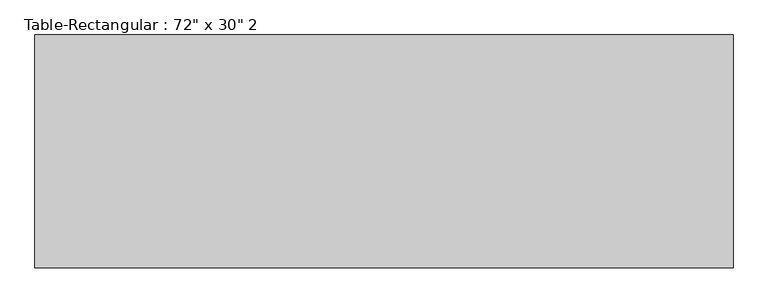
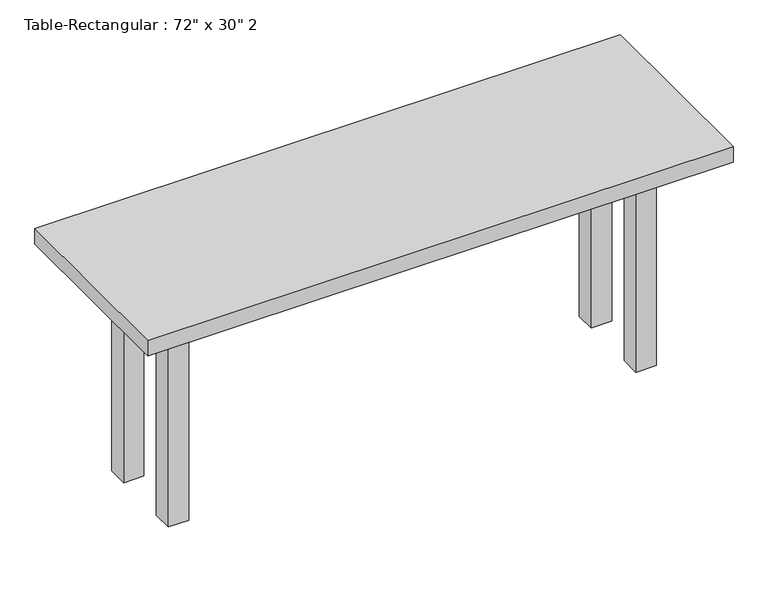
"""IFC4 building model written with IfcOpenShell, lengths in millimetres: furniture geometry."""

from ifc_helpers import new_model, si_unit, frame, origin, origin_with_axes, place, context, project, spatial, polyline, outline, extrude, source, transform, mapped, element, save


def furniture_403e82e6(model_context):
    return source(origin(), model_context, "Body", "SweptSolid", [
        extrude(outline(polyline([(698.5, -114.3), (-698.5, -114.3), (-698.5, -88.9), (698.5, -88.9), (698.5, -114.3)])), frame((0.0, 0.0, 609.6), z_axis=(0.0, 0.0, 1.0), x_axis=(1.0, 0.0, 0.0)), (0.0, 0.0, 1.0), 101.6),
        extrude(outline(polyline([(698.5, 114.3), (698.5, 88.9), (-698.5, 88.9), (-698.5, 114.3), (698.5, 114.3)])), frame((0.0, 0.0, 609.6), z_axis=(0.0, 0.0, 1.0), x_axis=(1.0, 0.0, 0.0)), (0.0, 0.0, 1.0), 101.6),
        extrude(outline(polyline([(-711.2, 88.9), (-711.2, -88.9), (-736.6, -88.9), (-736.6, 88.9), (-711.2, 88.9)])), frame((0.0, 0.0, 609.6), z_axis=(0.0, 0.0, 1.0), x_axis=(1.0, 0.0, 0.0)), (0.0, 0.0, 1.0), 101.6),
        extrude(outline(polyline([(711.2, 88.9), (736.6, 88.9), (736.6, -88.9), (711.2, -88.9), (711.2, 88.9)])), frame((0.0, 0.0, 609.6), z_axis=(0.0, 0.0, 1.0), x_axis=(1.0, 0.0, 0.0)), (0.0, 0.0, 1.0), 101.6),
        extrude(outline(polyline([(914.4, -304.8), (-914.4, -304.8), (-914.4, 304.8), (914.4, 304.8), (914.4, -304.8)])), frame((0.0, 0.0, 711.2), z_axis=(0.0, 0.0, 1.0), x_axis=(1.0, 0.0, 0.0)), (0.0, 0.0, 1.0), 50.8),
        extrude(outline(polyline([(-698.5, -152.4), (-762.0, -152.4), (-762.0, -88.9), (-698.5, -88.9), (-698.5, -152.4)])), origin_with_axes(), (0.0, 0.0, 1.0), 711.2),
        extrude(outline(polyline([(698.5, -152.4), (698.5, -88.9), (762.0, -88.9), (762.0, -152.4), (698.5, -152.4)])), origin_with_axes(), (0.0, 0.0, 1.0), 711.2),
        extrude(outline(polyline([(-698.5, 152.4), (-698.5, 88.9), (-762.0, 88.9), (-762.0, 152.4), (-698.5, 152.4)])), origin_with_axes(), (0.0, 0.0, 1.0), 711.2),
        extrude(outline(polyline([(698.5, 152.4), (762.0, 152.4), (762.0, 88.9), (698.5, 88.9), (698.5, 152.4)])), origin_with_axes(), (0.0, 0.0, 1.0), 711.2),
    ])


if __name__ == "__main__":
    model = new_model("IFC4")
    model_context = context("Model", 3, world=origin())
    ifc_project = project(units=[si_unit("LENGTHUNIT", "METRE", prefix="MILLI")], contexts=[model_context])
    site = spatial("IfcSite", under=ifc_project)
    building = spatial("IfcBuilding", under=site)
    placement = place(None, origin())
    furniture_shape = furniture_403e82e6(model_context)
    element("IfcFurniture", 1, ObjectType="Table-Rectangular : 72\" x 30\" 2", at=placement, inside=building, context=model_context, shape_type="MappedRepresentation", body=[
        mapped(furniture_shape, transform((0.0, 0.0, 0.0), x_axis=(1.0, 0.0, 0.0), y_axis=(0.0, 1.0, 0.0), z_axis=(0.0, 0.0, 1.0))),
    ])
    save(model, "model.ifc")
